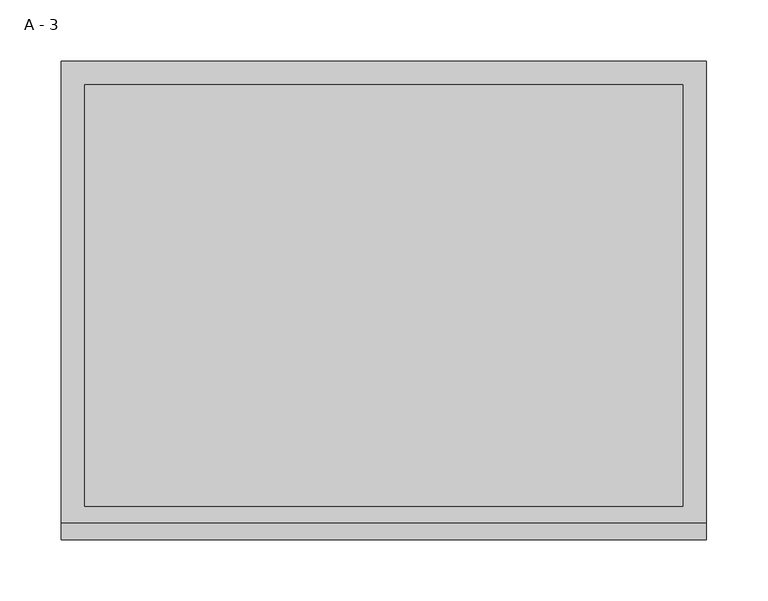
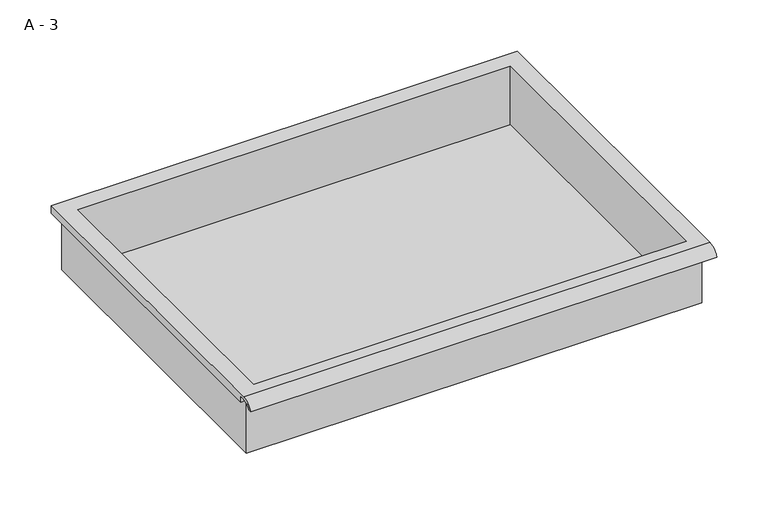
"""IFC4 building model written with IfcOpenShell, lengths in millimetres: furniture geometry, A - 3."""

from ifc_helpers import new_model, si_unit, frame, origin, place, context, project, spatial, polyline, circle_curve, source, transform, mapped, element, save
from ifc_brep_helpers import plane_surface, cylinder_surface, revolved_surface, advanced_brep


def a_3_6b00c085(model_context):
    return source(origin(), model_context, "Body", "AdvancedBrep", [
        advanced_brep(
        [(-257.1076517, -176.2125, 628.30202), (257.2423483, -176.2125, 628.30202), (257.2423483, -176.2125, 691.80202), (263.5923483, -176.2125, 691.80202), (263.5923483, -176.2125, 698.1091541), (-263.4576517, -176.2125, 698.1091541), (-263.4576517, -176.2125, 691.80202), (-257.1076517, -176.2125, 691.80202), (257.2423483, 185.7375, 628.30202), (-257.1076517, 185.7375, 628.30202), (-257.1076517, 185.7375, 691.80202), (257.2423483, 185.7375, 691.80202), (263.5923483, -181.6070544, 701.32702), (263.5923483, 195.2625, 701.32702), (-263.4576517, 195.2625, 701.32702), (-263.4576517, -181.6070544, 701.32702), (244.5423483, -168.275, 701.32702), (-244.4076517, -168.275, 701.32702), (-244.4076517, 176.2125, 701.32702), (244.5423483, 176.2125, 701.32702), (263.5923483, -195.2625, 691.80202), (263.5923483, -191.8280601, 691.80202), (263.5923483, -180.4714815, 698.1091541), (263.5923483, 195.2625, 691.80202), (-263.4576517, 195.2625, 691.80202), (-263.4576517, -180.4714815, 698.1091541), (-263.4576517, -191.8280601, 691.80202), (-263.4576517, -195.2625, 691.80202), (-244.4076517, -168.275, 631.3281919), (244.5423483, -168.275, 631.3281919), (244.5423483, 176.2125, 631.3281919), (-244.4076517, 176.2125, 631.3281919)],
        [
            (0, 1),
            (1, 2),
            (2, 3),
            (3, 4),
            (4, 5),
            (5, 6),
            (6, 7),
            (7, 0),
            (8, 9),
            (9, 10),
            (10, 11),
            (11, 8),
            (0, 9),
            (8, 1),
            (11, 2),
            (12, 13),
            (13, 14),
            (14, 15),
            (15, 12),
            (16, 17),
            (17, 18),
            (18, 19),
            (19, 16),
            (7, 10),
            (12, 20, circle_curve(frame((263.5923483, -181.6070544, 686.7760059), z_axis=(1.0, 0.0, 0.0), x_axis=(0.0, 1.0, 0.0)), 14.5510141)),
            (20, 21),
            (21, 22, circle_curve(frame((263.5923483, -181.6070544, 686.7760059), z_axis=(-1.0, 0.0, 0.0), x_axis=(0.0, 1.0, 0.0)), 11.3898979)),
            (22, 4),
            (3, 23),
            (23, 13),
            (14, 24),
            (24, 6),
            (5, 25),
            (25, 26, circle_curve(frame((-263.4576517, -181.6070544, 686.7760059), z_axis=(1.0, 0.0, 0.0), x_axis=(0.0, 1.0, 0.0)), 11.3898979)),
            (26, 27),
            (27, 15, circle_curve(frame((-263.4576517, -181.6070544, 686.7760059), z_axis=(-1.0, 0.0, 0.0), x_axis=(0.0, 1.0, 0.0)), 14.5510141)),
            (27, 20),
            (26, 21),
            (25, 22),
            (24, 23),
            (28, 29),
            (29, 30),
            (30, 31),
            (31, 28),
            (28, 17),
            (16, 29),
            (19, 30),
            (18, 31),
        ],
        [
            plane_surface(frame((257.2423483, -176.2125, 628.30202), z_axis=(0.0, -1.0, 0.0), x_axis=(1.0, 0.0, 0.0))),
            plane_surface(frame((257.2423483, 185.7375, 628.30202), z_axis=(0.0, 1.0, 0.0), x_axis=(-1.0, 0.0, 0.0))),
            plane_surface(frame((-257.1076517, -176.2125, 628.30202), z_axis=(0.0, 0.0, -1.0), x_axis=(0.0, 1.0, 0.0))),
            plane_surface(frame((257.2423483, -176.2125, 628.30202), z_axis=(1.0, 0.0, 0.0), x_axis=(0.0, 1.0, 0.0))),
            plane_surface(frame((257.2423483, -176.2125, 701.32702), z_axis=(0.0, 0.0, 1.0), x_axis=(0.0, 1.0, 0.0))),
            plane_surface(frame((-257.1076517, -176.2125, 701.32702), z_axis=(-1.0, 0.0, 0.0), x_axis=(0.0, 1.0, 0.0))),
            plane_surface(frame((263.5923483, 195.2625, 701.32702), z_axis=(1.0, 0.0, 0.0), x_axis=(0.0, -1.0, 0.0))),
            plane_surface(frame((-263.4576517, 195.2625, 701.32702), z_axis=(-1.0, 0.0, 0.0), x_axis=(0.0, 1.0, 0.0))),
            cylinder_surface(frame((-263.4576517, -181.6070544, 686.7760059), z_axis=(1.0, 0.0, 0.0), x_axis=(0.0, 1.0, 0.0)), 14.5510141),
            plane_surface(frame((263.5923483, -195.2625, 691.80202), z_axis=(0.0, -7.172997036885228e-12, -1.0), x_axis=(-1.0, 0.0, 0.0))),
            revolved_surface(polyline([(-263.4576517, -170.21715650000002, 686.7760059), (263.59234829999997, -170.21715650000002, 686.7760059)]), (-263.4576517, -181.6070544, 686.7760059), (-1.0, 0.0, 0.0)),
            plane_surface(frame((263.5923483, -180.4714815, 698.1091541), z_axis=(0.0, -1.782962839538054e-11, -1.0), x_axis=(-1.0, 0.0, 0.0))),
            plane_surface(frame((263.5923483, -176.2125, 691.80202), z_axis=(0.0, 0.0, -1.0), x_axis=(-1.0, 0.0, 0.0))),
            plane_surface(frame((263.5923483, 195.2625, 691.80202), z_axis=(0.0, 1.0, 0.0), x_axis=(-1.0, 0.0, 0.0))),
            plane_surface(frame((244.5423483, -168.275, 631.3281919), z_axis=(0.0, 0.0, 1.0), x_axis=(-1.0, 0.0, 0.0))),
            plane_surface(frame((-244.4076517, -168.275, 701.32702), z_axis=(0.0, 1.0, 0.0), x_axis=(0.0, 0.0, -1.0))),
            plane_surface(frame((244.5423483, -168.275, 701.32702), z_axis=(-1.0, 0.0, 0.0), x_axis=(0.0, 0.0, -1.0))),
            plane_surface(frame((244.5423483, 176.2125, 701.32702), z_axis=(0.0, -1.0, 0.0), x_axis=(0.0, 0.0, -1.0))),
            plane_surface(frame((-244.4076517, 176.2125, 701.32702), z_axis=(1.0, 0.0, 0.0), x_axis=(0.0, 0.0, -1.0))),
        ],
        [
            (0, [[1, 2, 3, 4, 5, 6, 7, 8]]),
            (1, [[9, 10, 11, 12]]),
            (2, [[-1, 13, -9, 14]]),
            (3, [[-14, -12, 15, -2]]),
            (4, [[16, 17, 18, 19], [20, 21, 22, 23]]),
            (5, [[-13, -8, 24, -10]]),
            (6, [[-16, 25, 26, 27, 28, -4, 29, 30]]),
            (7, [[31, 32, -6, 33, 34, 35, 36, -18]]),
            (8, [[-25, -19, -36, 37]]),
            (9, [[-26, -37, -35, 38]]),
            (10, [[-27, -38, -34, 39]]),
            (11, [[-28, -39, -33, -5]]),
            (12, [[-29, -3, -15, -11, -24, -7, -32, 40]]),
            (13, [[-30, -40, -31, -17]]),
            (14, [[41, 42, 43, 44]]),
            (15, [[-41, 45, -20, 46]]),
            (16, [[-42, -46, -23, 47]]),
            (17, [[-43, -47, -22, 48]]),
            (18, [[-44, -48, -21, -45]]),
        ],
    ),
    ])


if __name__ == "__main__":
    model = new_model("IFC4")
    model_context = context("Model", 3, world=origin())
    ifc_project = project(units=[si_unit("LENGTHUNIT", "METRE", prefix="MILLI")], contexts=[model_context])
    site = spatial("IfcSite", under=ifc_project)
    building = spatial("IfcBuilding", under=site)
    placement = place(None, origin())
    a_3_shape = a_3_6b00c085(model_context)
    element("IfcFurniture", 1, ObjectType="A - 3", at=placement, inside=building, context=model_context, shape_type="MappedRepresentation", body=[
        mapped(a_3_shape, transform((0.0, 0.0, 0.0), x_axis=(1.0, 0.0, 0.0), y_axis=(0.0, 1.0, 0.0), z_axis=(0.0, 0.0, 1.0))),
    ])
    save(model, "model.ifc")
